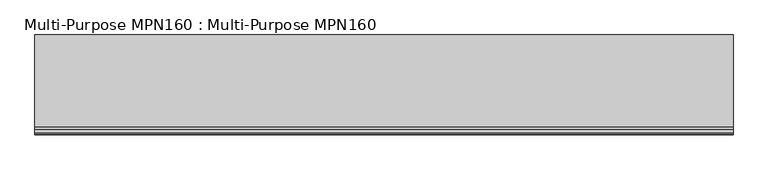
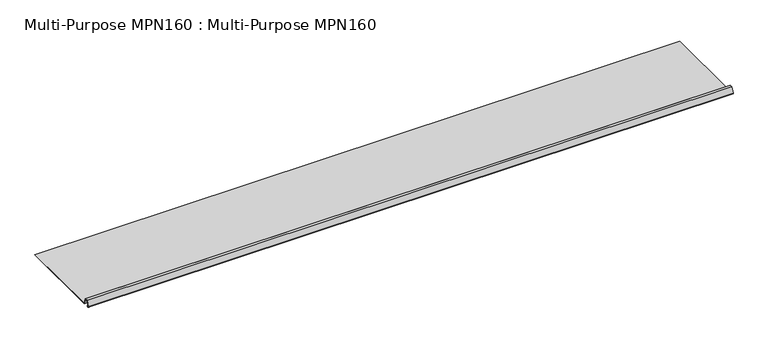
"""IFC4 building model written with IfcOpenShell, lengths in millimetres: proxy geometry, Multi-Purpose MPN160 : Multi-Purpose MPN160."""

from ifc_helpers import new_model, si_unit, point, frame, frame_2d, origin, place, context, project, spatial, polyline, circle_curve, trimmed, segment, composite_curve, outline, extrude, source, transform, mapped, element, save


def multi_purpose_mpn160_multi_purpose_mpn160_c9f89b2b(model_context):
    return source(origin(), model_context, "Body", "SweptSolid", [
        extrude(outline(composite_curve([segment(polyline([(-208.9541053, 75.7551097), (-209.4884199, 75.1426133), (-210.3695244, 75.9112498)]), True, "CONTINUOUS"), segment(trimmed(circle_curve(frame_2d((-211.6677419, 74.4230751)), 1.97485), [point((-210.3695244, 75.9112498))], [point((-212.7574971, 76.0700318))], True, "CARTESIAN"), True, "CONTINUOUS"), segment(polyline([(-212.7574971, 76.0700318), (-215.5607285, 74.2151949)]), True, "CONTINUOUS"), segment(trimmed(circle_curve(frame_2d((-216.8747419, 76.2010751)), 2.38125), [point((-215.5607285, 74.2151949))], [point((-219.112385, 77.0155106))], False, "CARTESIAN"), True, "CONTINUOUS"), segment(polyline([(-219.112385, 77.0155106), (-209.0152994, 104.7570251), (-196.3152994, 104.7570251), (-185.0550795, 73.8198251), (217.6240081, 73.8198251), (217.6240081, 73.0070251), (-185.6242082, 73.0070251), (-196.8844281, 103.9442251), (-208.4461708, 103.9442251), (-218.3486028, 76.7375166)]), True, "CONTINUOUS"), segment(trimmed(circle_curve(frame_2d((-216.8747419, 76.2010751)), 1.56845), [point((-218.3486028, 76.7375166))], [point((-216.0092451, 74.893042))], True, "CARTESIAN"), True, "CONTINUOUS"), segment(polyline([(-216.0092451, 74.893042), (-213.2060137, 76.7478789)]), True, "CONTINUOUS"), segment(trimmed(circle_curve(frame_2d((-211.6677419, 74.4230751)), 2.78765), [point((-213.2060137, 76.7478789))], [point((-209.8352098, 76.5237461))], False, "CARTESIAN"), True, "CONTINUOUS"), segment(polyline([(-209.8352098, 76.5237461), (-208.9541053, 75.7551097)]), True, "CONTINUOUS")], self_intersect=False)), frame((-1102.2989423, 0.0, 0.0), z_axis=(1.0, 0.0, 0.0), x_axis=(0.0, 1.0, 0.0)), (0.0, 0.0, 1.0), 3048.0),
    ])


if __name__ == "__main__":
    model = new_model("IFC4")
    model_context = context("Model", 3, world=origin())
    ifc_project = project(units=[si_unit("LENGTHUNIT", "METRE", prefix="MILLI")], contexts=[model_context])
    site = spatial("IfcSite", under=ifc_project)
    building = spatial("IfcBuilding", under=site)
    placement = place(None, origin())
    multi_purpose_mpn160_multi_purpose_mpn160_shape = multi_purpose_mpn160_multi_purpose_mpn160_c9f89b2b(model_context)
    element("IfcBuildingElementProxy", 1, Name="Multi-Purpose MPN160 : Multi-Purpose MPN160", ObjectType="Multi-Purpose MPN160 : Multi-Purpose MPN160", at=placement, inside=building, context=model_context, shape_type="MappedRepresentation", body=[
        mapped(multi_purpose_mpn160_multi_purpose_mpn160_shape, transform((0.0, 0.0, 0.0), x_axis=(1.0, 0.0, 0.0), y_axis=(0.0, 1.0, 0.0), z_axis=(0.0, 0.0, 1.0))),
    ])
    save(model, "model.ifc")
